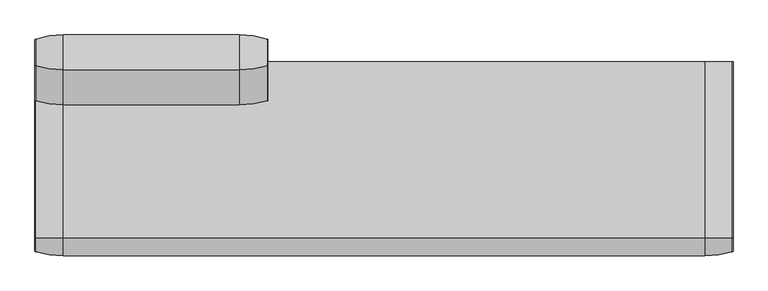
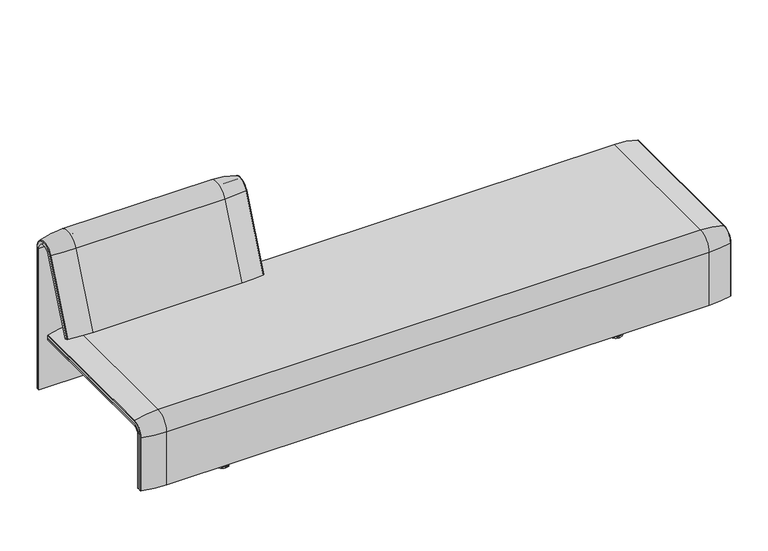
"""IFC4 building model written with IfcOpenShell, lengths in millimetres: furniture geometry."""

from ifc_helpers import new_model, si_unit, point, frame, frame_2d, origin, place, context, project, spatial, polyline, circle_curve, ellipse_curve, trimmed, segment, composite_curve, outline, extrude, source, transform, mapped, element, save
from ifc_brep_helpers import plane_surface, cylinder_surface, revolved_surface, advanced_brep


def furniture_a11b97bf(model_context):
    return source(origin(), model_context, "Body", "SolidModel", [
        advanced_brep(
        [(-507.9740803, 388.2902376, 100.5089435), (-410.1127088, 373.93893, 100.5089435), (-407.9740803, 371.0652495, 100.5089435), (-407.9740803, 359.7858817, 100.5089435), (-1223.9884174, 359.7858817, 100.5089435), (-1223.9884174, 371.0652495, 100.5089435), (-1221.8497889, 373.93893, 100.5089435), (-1123.9884174, 388.2902376, 100.5089435), (-1123.9884174, 388.2902376, 720.3417731), (-507.9740803, 388.2902376, 720.3417731), (-410.1127088, 373.93893, 720.3417731), (-407.9740803, 371.0652495, 720.3417731), (-407.9740803, 282.0164812, 738.0210907), (-407.9740803, 159.7723383, 442.2908598), (-407.9740803, 170.1962447, 437.9819952), (-407.9740803, 292.4403877, 733.7122262), (-407.9740803, 359.7858817, 720.3417731), (-1223.9884174, 359.7858817, 720.3417731), (-507.9740803, 143.8537454, 448.8710282), (-1123.9884174, 143.8537454, 448.8710282), (-1221.8497889, 157.1166065, 443.3886429), (-1223.9884174, 159.7723383, 442.2908598), (-1223.9884174, 170.1962447, 437.9819952), (-410.1127088, 157.1166065, 443.3886429), (-507.9740803, 266.0978884, 744.6012592), (-1123.9884174, 266.0978884, 744.6012592), (-410.1127088, 279.3607494, 739.1188739), (-1223.9884174, 292.4403877, 733.7122262), (-1223.9884174, 282.0164812, 738.0210907), (-1223.9884174, 371.0652495, 720.3417731), (-1221.8497889, 373.93893, 720.3417731), (-1221.8497889, 279.3607494, 739.1188739)],
        [
            (0, 1, circle_curve(frame((-507.9740803, 47.4569043, 100.5089435), z_axis=(0.0, 0.0, -1.0), x_axis=(0.0, -1.0, 0.0)), 340.8333333)),
            (1, 2, circle_curve(frame((-410.9740803, 371.0652495, 100.5089435), z_axis=(0.0, 0.0, -1.0), x_axis=(1.0, 0.0, 0.0)), 3.0)),
            (2, 3),
            (3, 4),
            (4, 5),
            (5, 6, circle_curve(frame((-1220.9884174, 371.0652495, 100.5089435), z_axis=(0.0, 0.0, -1.0), x_axis=(-1.0, 0.0, 0.0)), 3.0)),
            (6, 7, circle_curve(frame((-1123.9884174, 47.4569043, 100.5089435), z_axis=(0.0, 0.0, -1.0), x_axis=(0.0, -1.0, 0.0)), 340.8333333)),
            (7, 0),
            (7, 8),
            (8, 9),
            (9, 0),
            (9, 10, circle_curve(frame((-507.9740803, 47.4569043, 720.3417731), z_axis=(0.0, 0.0, -1.0), x_axis=(0.0, -1.0, 0.0)), 340.8333333)),
            (10, 1),
            (10, 11, circle_curve(frame((-410.9740803, 371.0652495, 720.3417731), z_axis=(0.0, 0.0, -1.0), x_axis=(1.0, 0.0, 0.0)), 3.0)),
            (11, 2),
            (11, 12, circle_curve(frame((-407.9740803, 324.7858817, 720.3417731), z_axis=(1.0, 0.0, 0.0), x_axis=(0.0, 1.0, 0.0)), 46.2793679)),
            (12, 13),
            (13, 14),
            (14, 15),
            (15, 16, circle_curve(frame((-407.9740803, 324.7858817, 720.3417731), z_axis=(-1.0, 0.0, 0.0), x_axis=(0.0, 1.0, 0.0)), 35.0)),
            (16, 3),
            (16, 17),
            (17, 4),
            (18, 19),
            (19, 20, circle_curve(frame((-1123.9884174, 458.8372467, 318.6682822), z_axis=(0.0, -0.38201294675155345, -0.9241569717933176), x_axis=(0.0, 0.9241569717933176, -0.38201294675155345)), 340.8333333)),
            (20, 21, circle_curve(frame((-1220.9884174, 159.7723383, 442.2908598), z_axis=(0.0, -0.38201294675155345, -0.9241569717933176), x_axis=(-1.0, 0.0, 0.0)), 3.0)),
            (21, 22),
            (22, 14),
            (13, 23, circle_curve(frame((-410.9740803, 159.7723383, 442.2908598), z_axis=(0.0, -0.38201294675155345, -0.9241569717933176), x_axis=(1.0, 0.0, 0.0)), 3.0)),
            (23, 18, circle_curve(frame((-507.9740803, 458.8372467, 318.6682822), z_axis=(0.0, -0.38201294675155345, -0.9241569717933176), x_axis=(0.0, 0.9241569717933176, -0.38201294675155345)), 340.8333333)),
            (24, 9, circle_curve(frame((-507.9740803, 324.7858817, 720.3417731), z_axis=(-1.0, 0.0, 0.0), x_axis=(0.0, 1.0, 0.0)), 63.5043559)),
            (8, 25, circle_curve(frame((-1123.9884174, 324.7858817, 720.3417731), z_axis=(1.0, 0.0, 0.0), x_axis=(0.0, 1.0, 0.0)), 63.5043559)),
            (25, 24),
            (26, 10, circle_curve(frame((-410.1127088, 324.7858817, 720.3417731), z_axis=(-1.0, 0.0, 0.0), x_axis=(0.0, 1.0, 0.0)), 49.1530483)),
            (24, 26, circle_curve(frame((-507.9740803, 581.0813896, 614.3985132), z_axis=(0.0, 0.382012946751556, 0.9241569717933165), x_axis=(0.0, 0.9241569717933165, -0.382012946751556)), 340.8333333)),
            (26, 12, circle_curve(frame((-410.9740803, 282.0164812, 738.0210907), z_axis=(0.0, 0.3820129467515552, 0.9241569717933168), x_axis=(1.0, 0.0, 0.0)), 3.0)),
            (27, 17, circle_curve(frame((-1223.9884174, 324.7858817, 720.3417731), z_axis=(-1.0, 0.0, 0.0), x_axis=(0.0, 1.0, 0.0)), 35.0)),
            (15, 27),
            (25, 19),
            (18, 24),
            (23, 26),
            (22, 27),
            (21, 28),
            (28, 29, circle_curve(frame((-1223.9884174, 324.7858817, 720.3417731), z_axis=(-1.0, 0.0, 0.0), x_axis=(0.0, 1.0, 0.0)), 46.2793679)),
            (29, 5),
            (29, 30, circle_curve(frame((-1220.9884174, 371.0652495, 720.3417731), z_axis=(0.0, 0.0, -1.0), x_axis=(-1.0, 0.0, 0.0)), 3.0)),
            (30, 6),
            (30, 8, circle_curve(frame((-1123.9884174, 47.4569043, 720.3417731), z_axis=(0.0, 0.0, -1.0), x_axis=(0.0, -1.0, 0.0)), 340.8333333)),
            (31, 30, circle_curve(frame((-1221.8497889, 324.7858817, 720.3417731), z_axis=(-1.0, 0.0, 0.0), x_axis=(0.0, 1.0, 0.0)), 49.1530483)),
            (28, 31, circle_curve(frame((-1220.9884174, 282.0164812, 738.0210907), z_axis=(0.0, 0.3820129467515544, 0.9241569717933172), x_axis=(-1.0, 0.0, 0.0)), 3.0)),
            (31, 25, circle_curve(frame((-1123.9884174, 581.0813896, 614.3985132), z_axis=(0.0, 0.3820129467515532, 0.9241569717933177), x_axis=(0.0, 0.9241569717933177, -0.3820129467515532)), 340.8333333)),
            (20, 31),
        ],
        [
            plane_surface(frame((-811.2162256, 359.7858817, 100.5089435), z_axis=(0.0, 0.0, -1.0), x_axis=(1.0, 0.0, 0.0))),
            plane_surface(frame((-1123.9884174, 388.2902376, 100.5089435), z_axis=(0.0, 1.0, 0.0), x_axis=(0.0, 0.0, 1.0))),
            cylinder_surface(frame((-507.9740803, 47.4569043, 100.5089435), z_axis=(0.0, 0.0, -1.0), x_axis=(0.0, -1.0, 0.0)), 340.8333333),
            cylinder_surface(frame((-410.9740803, 371.0652495, 100.5089435), z_axis=(0.0, 0.0, -1.0), x_axis=(1.0, 0.0, 0.0)), 3.0),
            plane_surface(frame((-407.9740803, 371.0652495, 100.5089435), z_axis=(1.0, 0.0, 0.0), x_axis=(0.0, 0.0, 1.0))),
            plane_surface(frame((-407.9740803, 359.7858817, 100.5089435), z_axis=(0.0, -1.0, 0.0), x_axis=(0.0, 0.0, 1.0))),
            plane_surface(frame((-811.2162256, 170.1962447, 437.9819952), z_axis=(0.0, -0.38201294675155345, -0.9241569717933176), x_axis=(1.0, 0.0, 0.0))),
            cylinder_surface(frame((-811.2162256, 324.7858817, 720.3417731), z_axis=(1.0, 0.0, 0.0), x_axis=(0.0, 1.0, 0.0)), 63.5043559),
            revolved_surface(trimmed(ellipse_curve(frame((-507.9740803, 47.4569043, 720.3417731), z_axis=(0.0, 0.0, -1.0), x_axis=(0.0, -1.0, 0.0)), 340.8333333, 340.8333333), [point((-507.9740803, 388.2902376, 720.3417731))], [point((-410.1127088, 373.93893, 720.3417731))], True, "CARTESIAN"), (-811.2162256, 324.7858817, 720.3417731), (1.0, 0.0, 0.0)),
            revolved_surface(trimmed(ellipse_curve(frame((-410.9740803, 371.0652495, 720.3417731), z_axis=(0.0, 0.0, -1.0), x_axis=(1.0, 0.0, 0.0)), 3.0, 3.0), [point((-410.1127088, 373.93893, 720.3417731))], [point((-407.9740803, 371.0652495, 720.3417731))], True, "CARTESIAN"), (-811.2162256, 324.7858817, 720.3417731), (1.0, 0.0, 0.0)),
            revolved_surface(polyline([(-407.9740803, 359.7858817, 720.3417731), (-1223.9884174, 359.7858817, 720.3417731)]), (-811.2162256, 324.7858817, 720.3417731), (1.0, 0.0, 0.0)),
            plane_surface(frame((-1123.9884174, 266.0978884, 744.6012592), z_axis=(0.0, -0.9241569717933176, 0.38201294675155356), x_axis=(0.0, -0.38201294675155356, -0.9241569717933176))),
            cylinder_surface(frame((-507.9740803, 581.0813896, 614.3985132), z_axis=(0.0, 0.38201294675155345, 0.9241569717933176), x_axis=(0.0, 0.9241569717933176, -0.38201294675155345)), 340.8333333),
            cylinder_surface(frame((-410.9740803, 282.0164812, 738.0210907), z_axis=(0.0, 0.38201294675155345, 0.9241569717933176), x_axis=(1.0, 0.0, 0.0)), 3.0),
            plane_surface(frame((-407.9740803, 292.4403877, 733.7122262), z_axis=(0.0, 0.9241569717933176, -0.38201294675155356), x_axis=(0.0, -0.38201294675155356, -0.9241569717933176))),
            plane_surface(frame((-1223.9884174, 359.7858817, 100.5089435), z_axis=(-1.0, 0.0, 0.0), x_axis=(0.0, 0.0, 1.0))),
            cylinder_surface(frame((-1220.9884174, 371.0652495, 100.5089435), z_axis=(0.0, 0.0, -1.0), x_axis=(-1.0, 0.0, 0.0)), 3.0),
            cylinder_surface(frame((-1123.9884174, 47.4569043, 100.5089435), z_axis=(0.0, 0.0, -1.0), x_axis=(0.0, -1.0, 0.0)), 340.8333333),
            revolved_surface(trimmed(ellipse_curve(frame((-1220.9884174, 371.0652495, 720.3417731), z_axis=(0.0, 0.0, -1.0), x_axis=(-1.0, 0.0, 0.0)), 3.0, 3.0), [point((-1223.9884174, 371.0652495, 720.3417731))], [point((-1221.8497889, 373.93893, 720.3417731))], True, "CARTESIAN"), (-811.2162256, 324.7858817, 720.3417731), (1.0, 0.0, 0.0)),
            revolved_surface(trimmed(ellipse_curve(frame((-1123.9884174, 47.4569043, 720.3417731), z_axis=(0.0, 0.0, -1.0), x_axis=(0.0, -1.0, 0.0)), 340.8333333, 340.8333333), [point((-1221.8497889, 373.93893, 720.3417731))], [point((-1123.9884174, 388.2902376, 720.3417731))], True, "CARTESIAN"), (-811.2162256, 324.7858817, 720.3417731), (1.0, 0.0, 0.0)),
            cylinder_surface(frame((-1220.9884174, 282.0164812, 738.0210907), z_axis=(0.0, 0.38201294675155345, 0.9241569717933176), x_axis=(-1.0, 0.0, 0.0)), 3.0),
            cylinder_surface(frame((-1123.9884174, 581.0813896, 614.3985132), z_axis=(0.0, 0.38201294675155345, 0.9241569717933176), x_axis=(0.0, 0.9241569717933176, -0.38201294675155345)), 340.8333333),
        ],
        [
            (0, [[1, 2, 3, 4, 5, 6, 7, 8]]),
            (1, [[-8, 9, 10, 11]]),
            (2, [[-1, -11, 12, 13]]),
            (3, [[-2, -13, 14, 15]]),
            (4, [[-3, -15, 16, 17, 18, 19, 20, 21]]),
            (5, [[-4, -21, 22, 23]]),
            (6, [[24, 25, 26, 27, 28, -18, 29, 30]]),
            (7, [[31, -10, 32, 33]]),
            (8, [[34, -12, -31, 35]]),
            (9, [[-16, -14, -34, 36]]),
            (10, [[37, -22, -20, 38]]),
            (11, [[-33, 39, -24, 40]]),
            (12, [[-35, -40, -30, 41]]),
            (13, [[-36, -41, -29, -17]]),
            (14, [[-38, -19, -28, 42]]),
            (15, [[-5, -23, -37, -42, -27, 43, 44, 45]]),
            (16, [[-6, -45, 46, 47]]),
            (17, [[-7, -47, 48, -9]]),
            (18, [[49, -46, -44, 50]]),
            (19, [[-32, -48, -49, 51]]),
            (20, [[-50, -43, -26, 52]]),
            (21, [[-51, -52, -25, -39]]),
        ],
    ),
        extrude(outline(composite_curve([segment(trimmed(circle_curve(frame_2d((305.0000061, 379.9223263)), 30.0), [point((305.0000061, 349.9223263))], [point((335.0000061, 379.9223263))], True, "CARTESIAN"), True, "CONTINUOUS"), segment(polyline([(335.0000061, 379.9223263), (335.0000061, 515.0657595)]), True, "CONTINUOUS"), segment(trimmed(circle_curve(frame_2d((305.0000061, 515.0657595)), 30.0), [point((335.0000061, 515.0657595))], [point((316.7219399, 542.6809051))], True, "CARTESIAN"), True, "CONTINUOUS"), segment(polyline([(316.7219399, 542.6809051), (257.4911714, 567.8228747)]), True, "CONTINUOUS"), segment(trimmed(circle_curve(frame_2d((251.6302045, 554.0153019)), 15.0), [point((257.4911714, 567.8228747))], [point((238.0355877, 560.3545758))], True, "CARTESIAN"), True, "CONTINUOUS"), segment(polyline([(238.0355877, 560.3545758), (222.2725218, 526.5505721), (213.7507451, 529.5682915), (296.3054528, 724.0549949)]), True, "CONTINUOUS"), segment(trimmed(circle_curve(frame_2d((322.520748, 712.9272623)), 28.479258), [point((296.3054528, 724.0549949))], [point((351.0000061, 712.9272623))], False, "CARTESIAN"), True, "CONTINUOUS"), segment(polyline([(351.0000061, 712.9272623), (351.0000061, 197.0551771), (343.3075759, 197.0551771), (339.4064861, 271.492405)]), True, "CONTINUOUS"), segment(trimmed(circle_curve(frame_2d((309.4476, 269.9223263)), 30.0), [point((339.4064861, 271.492405))], [point((309.4476, 299.9223263))], True, "CARTESIAN"), True, "CONTINUOUS"), segment(polyline([(309.4476, 299.9223263), (270.0000061, 299.9223263), (270.0000061, 359.9223263), (275.0000061, 359.9223263)]), True, "CONTINUOUS"), segment(trimmed(circle_curve(frame_2d((285.0000061, 359.9223263)), 10.0), [point((275.0000061, 359.9223263))], [point((285.0000061, 349.9223263))], True, "CARTESIAN"), True, "CONTINUOUS"), segment(polyline([(285.0000061, 349.9223263), (305.0000061, 349.9223263)]), True, "CONTINUOUS")], self_intersect=False), holes=[composite_curve([segment(polyline([(337.5000061, 576.3274105), (337.5000061, 716.7072663)]), True, "CONTINUOUS"), segment(trimmed(circle_curve(frame_2d((322.5000061, 716.7072663)), 15.0), [point((337.5000061, 716.7072663))], [point((308.9053893, 723.0465402))], True, "CARTESIAN"), True, "CONTINUOUS"), segment(polyline([(308.9053893, 723.0465402), (253.6256191, 604.4986904)]), True, "CONTINUOUS"), segment(trimmed(circle_curve(frame_2d((271.7517748, 596.0463251)), 20.0), [point((253.6256191, 604.4986904))], [point((265.0756376, 577.1934953))], True, "CARTESIAN"), True, "CONTINUOUS"), segment(polyline([(265.0756376, 577.1934953), (314.1406626, 559.8186587)]), True, "CONTINUOUS"), segment(trimmed(circle_curve(frame_2d((319.9867182, 576.3274105)), 17.5132879), [point((314.1406626, 559.8186587))], [point((337.5000061, 576.3274105))], True, "CARTESIAN"), True, "CONTINUOUS")], self_intersect=False)]), frame((-1100.9760457, 0.0, 0.0), z_axis=(1.0, 0.0, 0.0), x_axis=(0.0, 1.0, 0.0)), (0.0, 0.0, 1.0), 40.0),
        advanced_brep(
        [(-1223.9718733, 295.0, 359.922434), (-1223.9718733, -323.7517936, 359.922434), (-1223.9718733, -351.0, 332.6742277), (-1223.9718733, -351.0, 100.5089435), (-1223.9718733, -357.5, 100.5089435), (-1223.9718733, -357.5, 333.0583003), (-1223.9718733, -324.3858663, 366.172434), (-1223.9718733, 295.0, 366.172434), (1223.9718733, 295.0, 359.922434), (1223.9718733, 295.0, 366.172434), (1223.9718733, -324.3858663, 366.172434), (1223.9718733, -357.5, 333.0583003), (1223.9718733, -357.5, 100.5089435), (1223.9718733, -351.0, 100.5089435), (1223.9718733, -351.0, 332.6742277), (1223.9718733, -323.7517936, 359.922434), (-1189.0718733, -324.3858663, 366.172434), (-1189.0718733, 260.0, 366.172434), (1189.0718733, 260.0, 366.172434), (1189.0718733, -324.3858663, 366.172434), (-1189.0718733, -357.5, 333.0583003), (1189.0718733, -357.5, 333.0583003), (1189.0718733, -357.5, 135.3766997), (-1189.0718733, -357.5, 135.3766997), (-1189.0718733, -351.0, 332.6742277), (-1189.0718733, -351.0, 135.3766997), (1189.0718733, -351.0, 135.3766997), (1189.0718733, -351.0, 332.6742277), (-1189.0718733, -323.7517936, 359.922434), (1189.0718733, -323.7517936, 359.922434), (1189.0718733, 260.0, 359.922434), (-1189.0718733, 260.0, 359.922434)],
        [
            (0, 1),
            (1, 2, circle_curve(frame((-1223.9718733, -323.7517936, 332.6742277), z_axis=(1.0, 0.0, 0.0), x_axis=(0.0, -1.0, 0.0)), 27.2482064)),
            (2, 3),
            (3, 4),
            (4, 5),
            (5, 6, circle_curve(frame((-1223.9718733, -324.3858663, 333.0583003), z_axis=(-1.0, 0.0, 0.0), x_axis=(0.0, -1.0, 0.0)), 33.1141337)),
            (6, 7),
            (7, 0),
            (8, 9),
            (9, 10),
            (10, 11, circle_curve(frame((1223.9718733, -324.3858663, 333.0583003), z_axis=(1.0, 0.0, 0.0), x_axis=(0.0, -1.0, 0.0)), 33.1141337)),
            (11, 12),
            (12, 13),
            (13, 14),
            (14, 15, circle_curve(frame((1223.9718733, -323.7517936, 332.6742277), z_axis=(-1.0, 0.0, 0.0), x_axis=(0.0, -1.0, 0.0)), 27.2482064)),
            (15, 8),
            (7, 9),
            (8, 0),
            (6, 16),
            (16, 17),
            (17, 18),
            (18, 19),
            (19, 10),
            (5, 20),
            (20, 16, circle_curve(frame((-1189.0718733, -324.3858663, 333.0583003), z_axis=(-1.0, 0.0, 0.0), x_axis=(0.0, -1.0, 0.0)), 33.1141337)),
            (19, 21, circle_curve(frame((1189.0718733, -324.3858663, 333.0583003), z_axis=(1.0, 0.0, 0.0), x_axis=(0.0, -1.0, 0.0)), 33.1141337)),
            (21, 11),
            (4, 12),
            (21, 22),
            (22, 23),
            (23, 20),
            (3, 13),
            (2, 24),
            (24, 25),
            (25, 26),
            (26, 27),
            (27, 14),
            (1, 28),
            (28, 24, circle_curve(frame((-1189.0718733, -323.7517936, 332.6742277), z_axis=(1.0, 0.0, 0.0), x_axis=(0.0, -1.0, 0.0)), 27.2482064)),
            (27, 29, circle_curve(frame((1189.0718733, -323.7517936, 332.6742277), z_axis=(-1.0, 0.0, 0.0), x_axis=(0.0, -1.0, 0.0)), 27.2482064)),
            (29, 15),
            (29, 30),
            (30, 31),
            (31, 28),
            (31, 17),
            (23, 25),
            (26, 22),
            (18, 30),
        ],
        [
            plane_surface(frame((-1223.9718733, -296.9265415, 359.922434), z_axis=(-1.0, 0.0, 0.0), x_axis=(0.0, -1.0, 0.0))),
            plane_surface(frame((1223.9718733, -296.9265415, 359.922434), z_axis=(1.0, 0.0, 0.0), x_axis=(0.0, 1.0, 0.0))),
            plane_surface(frame((-1223.9718733, 295.0, 366.172434), z_axis=(0.0, 1.0, 0.0), x_axis=(1.0, 0.0, 0.0))),
            plane_surface(frame((-1223.9718733, -324.3858663, 366.172434), z_axis=(0.0, 0.0, 1.0), x_axis=(1.0, 0.0, 0.0))),
            cylinder_surface(frame((1223.9718733, -324.3858663, 333.0583003), z_axis=(-1.0, 0.0, 0.0), x_axis=(0.0, -1.0, 0.0)), 33.1141337),
            plane_surface(frame((-1223.9718733, -357.5, 100.5089435), z_axis=(0.0, -1.0, 0.0), x_axis=(1.0, 0.0, 0.0))),
            plane_surface(frame((-1223.9718733, -351.0, 100.5089435), z_axis=(0.0, 0.0, -1.0), x_axis=(1.0, 0.0, 0.0))),
            plane_surface(frame((-1223.9718733, -351.0, 332.6742277), z_axis=(0.0, 1.0, 0.0), x_axis=(1.0, 0.0, 0.0))),
            revolved_surface(polyline([(-1189.0718733000003, -351.0, 332.6742277), (-1223.9718733, -351.0, 332.6742277)]), (1223.9718733, -323.7517936, 332.6742277), (1.0, 0.0, 0.0)),
            revolved_surface(polyline([(1223.9718733, -351.0, 332.6742277), (1189.0718733, -351.0, 332.6742277)]), (1223.9718733, -323.7517936, 332.6742277), (1.0, 0.0, 0.0)),
            plane_surface(frame((-1223.9718733, 295.0, 359.922434), z_axis=(0.0, 0.0, -1.0), x_axis=(1.0, 0.0, 0.0))),
            plane_surface(frame((-1189.0718733, -296.9265415, 359.922434), z_axis=(1.0, 0.0, 0.0), x_axis=(0.0, -1.0, 0.0))),
            plane_surface(frame((1189.0718733, -296.9265415, 359.922434), z_axis=(-1.0, 0.0, 0.0), x_axis=(0.0, 1.0, 0.0))),
            plane_surface(frame((-1189.0718733, 260.0, 366.172434), z_axis=(0.0, -1.0, 0.0), x_axis=(1.0, 0.0, 0.0))),
            plane_surface(frame((-1189.0718733, -351.0, 135.3766997), z_axis=(0.0, 0.0, 1.0), x_axis=(1.0, 0.0, 0.0))),
        ],
        [
            (0, [[1, 2, 3, 4, 5, 6, 7, 8]]),
            (1, [[9, 10, 11, 12, 13, 14, 15, 16]]),
            (2, [[-8, 17, -9, 18]]),
            (3, [[-7, 19, 20, 21, 22, 23, -10, -17]]),
            (4, [[-6, 24, 25, -19]]),
            (4, [[-11, -23, 26, 27]]),
            (5, [[-5, 28, -12, -27, 29, 30, 31, -24]]),
            (6, [[-4, 32, -13, -28]]),
            (7, [[-3, 33, 34, 35, 36, 37, -14, -32]]),
            (8, [[-2, 38, 39, -33]]),
            (9, [[-15, -37, 40, 41]]),
            (10, [[-1, -18, -16, -41, 42, 43, 44, -38]]),
            (11, [[45, -20, -25, -31, 46, -34, -39, -44]]),
            (12, [[47, -29, -26, -22, 48, -42, -40, -36]]),
            (13, [[-45, -43, -48, -21]]),
            (14, [[-46, -30, -47, -35]]),
        ],
    ),
        extrude(outline(composite_curve([segment(polyline([(260.0, 359.922434), (-323.7517936, 359.922434)]), True, "CONTINUOUS"), segment(trimmed(circle_curve(frame_2d((-323.7517936, 332.6742277)), 27.2482064), [point((-323.7517936, 359.922434))], [point((-351.0, 332.6742277))], True, "CARTESIAN"), True, "CONTINUOUS"), segment(polyline([(-351.0, 332.6742277), (-351.0, 135.3766997), (-357.5, 135.3766997), (-357.5, 333.0583003)]), True, "CONTINUOUS"), segment(trimmed(circle_curve(frame_2d((-324.3858663, 333.0583003)), 33.1141337), [point((-357.5, 333.0583003))], [point((-324.3858663, 366.172434))], False, "CARTESIAN"), True, "CONTINUOUS"), segment(polyline([(-324.3858663, 366.172434), (260.0, 366.172434), (260.0, 359.922434)]), True, "CONTINUOUS")], self_intersect=False)), frame((-1189.0718733, 0.0, 0.0), z_axis=(1.0, 0.0, 0.0), x_axis=(0.0, 1.0, 0.0)), (0.0, 0.0, 1.0), 2378.1437465),
        advanced_brep(
        [(-1223.9718733, -368.7793679, 100.5089435), (-1223.9718733, -357.5, 100.5089435), (1223.9718733, -357.5, 100.5089435), (1223.9718733, -368.7793679, 100.5089435), (1221.8332448, -371.6530483, 100.5089435), (1123.9718733, -386.0043559, 100.5089435), (-1123.9718733, -386.0043559, 100.5089435), (-1221.8332448, -371.6530483, 100.5089435), (-1223.9718733, 295.0, 377.4518019), (-1221.8332448, 295.0, 380.3254823), (-1123.9718733, 295.0, 394.67679), (1123.9718733, 295.0, 394.67679), (1221.8332448, 295.0, 380.3254823), (1223.9718733, 295.0, 377.4518019), (1223.9718733, 295.0, 366.172434), (-1223.9718733, 295.0, 366.172434), (-1223.9718733, -368.7793679, 333.0583003), (-1223.9718733, -324.3858663, 377.4518019), (-1223.9718733, -324.3858663, 366.172434), (-1223.9718733, -357.5, 333.0583003), (1223.9718733, -357.5, 333.0583003), (1123.9718733, -386.0043559, 333.0583003), (-1123.9718733, -386.0043559, 333.0583003), (-1221.8332448, -371.6530483, 333.0583003), (1223.9718733, -324.3858663, 366.172434), (-1123.9718733, -324.3858663, 394.67679), (1123.9718733, -324.3858663, 394.67679), (-1221.8332448, -324.3858663, 380.3254823), (1223.9718733, -324.3858663, 377.4518019), (1223.9718733, -368.7793679, 333.0583003), (1221.8332448, -371.6530483, 333.0583003), (1221.8332448, -324.3858663, 380.3254823)],
        [
            (0, 1),
            (1, 2),
            (2, 3),
            (3, 4, circle_curve(frame((1220.9718733, -368.7793679, 100.5089435), z_axis=(0.0, 0.0, -1.0), x_axis=(-1.0, 0.0, 0.0)), 3.0)),
            (4, 5, circle_curve(frame((1123.9718733, -45.1710226, 100.5089435), z_axis=(0.0, 0.0, -1.0), x_axis=(0.0, 1.0, 0.0)), 340.8333333)),
            (5, 6),
            (6, 7, circle_curve(frame((-1123.9718733, -45.1710226, 100.5089435), z_axis=(0.0, 0.0, -1.0), x_axis=(0.0, 1.0, 0.0)), 340.8333333)),
            (7, 0, circle_curve(frame((-1220.9718733, -368.7793679, 100.5089435), z_axis=(0.0, 0.0, -1.0), x_axis=(1.0, 0.0, 0.0)), 3.0)),
            (8, 9, circle_curve(frame((-1220.9718733, 295.0, 377.4518019), z_axis=(0.0, 1.0, 0.0), x_axis=(1.0, 0.0, 0.0)), 3.0)),
            (9, 10, circle_curve(frame((-1123.9718733, 295.0, 53.8434566), z_axis=(0.0, 1.0, 0.0), x_axis=(0.0, 0.0, -1.0)), 340.8333333)),
            (10, 11),
            (11, 12, circle_curve(frame((1123.9718733, 295.0, 53.8434566), z_axis=(0.0, 1.0, 0.0), x_axis=(0.0, 0.0, -1.0)), 340.8333333)),
            (12, 13, circle_curve(frame((1220.9718733, 295.0, 377.4518019), z_axis=(0.0, 1.0, 0.0), x_axis=(-1.0, 0.0, 0.0)), 3.0)),
            (13, 14),
            (14, 15),
            (15, 8),
            (0, 16),
            (16, 17, circle_curve(frame((-1223.9718733, -324.3858663, 333.0583003), z_axis=(-1.0, 0.0, 0.0), x_axis=(0.0, -1.0, 0.0)), 44.3935016)),
            (17, 8),
            (15, 18),
            (18, 19, circle_curve(frame((-1223.9718733, -324.3858663, 333.0583003), z_axis=(1.0, 0.0, 0.0), x_axis=(0.0, -1.0, 0.0)), 33.1141337)),
            (19, 1),
            (19, 20),
            (20, 2),
            (5, 21),
            (21, 22),
            (22, 6),
            (22, 23, circle_curve(frame((-1123.9718733, -45.1710226, 333.0583003), z_axis=(0.0, 0.0, -1.0), x_axis=(0.0, 1.0, 0.0)), 340.8333333)),
            (23, 7),
            (23, 16, circle_curve(frame((-1220.9718733, -368.7793679, 333.0583003), z_axis=(0.0, 0.0, -1.0), x_axis=(1.0, 0.0, 0.0)), 3.0)),
            (24, 20, circle_curve(frame((1223.9718733, -324.3858663, 333.0583003), z_axis=(1.0, 0.0, 0.0), x_axis=(0.0, -1.0, 0.0)), 33.1141337)),
            (18, 24),
            (25, 22, circle_curve(frame((-1123.9718733, -324.3858663, 333.0583003), z_axis=(1.0, 0.0, 0.0), x_axis=(0.0, -1.0, 0.0)), 61.6184897)),
            (21, 26, circle_curve(frame((1123.9718733, -324.3858663, 333.0583003), z_axis=(-1.0, 0.0, 0.0), x_axis=(0.0, -1.0, 0.0)), 61.6184897)),
            (26, 25),
            (27, 23, circle_curve(frame((-1221.8332448, -324.3858663, 333.0583003), z_axis=(1.0, 0.0, 0.0), x_axis=(0.0, -1.0, 0.0)), 47.267182)),
            (25, 27, circle_curve(frame((-1123.9718733, -324.3858663, 53.8434566), z_axis=(0.0, -1.0, 0.0), x_axis=(0.0, 0.0, -1.0)), 340.8333333)),
            (27, 17, circle_curve(frame((-1220.9718733, -324.3858663, 377.4518019), z_axis=(0.0, -1.0, 0.0), x_axis=(1.0, 0.0, 0.0)), 3.0)),
            (14, 24),
            (26, 11),
            (10, 25),
            (9, 27),
            (13, 28),
            (28, 29, circle_curve(frame((1223.9718733, -324.3858663, 333.0583003), z_axis=(1.0, 0.0, 0.0), x_axis=(0.0, -1.0, 0.0)), 44.3935016)),
            (29, 3),
            (29, 30, circle_curve(frame((1220.9718733, -368.7793679, 333.0583003), z_axis=(0.0, 0.0, -1.0), x_axis=(-1.0, 0.0, 0.0)), 3.0)),
            (30, 4),
            (30, 21, circle_curve(frame((1123.9718733, -45.1710226, 333.0583003), z_axis=(0.0, 0.0, -1.0), x_axis=(0.0, 1.0, 0.0)), 340.8333333)),
            (31, 30, circle_curve(frame((1221.8332448, -324.3858663, 333.0583003), z_axis=(1.0, 0.0, 0.0), x_axis=(0.0, -1.0, 0.0)), 47.267182)),
            (28, 31, circle_curve(frame((1220.9718733, -324.3858663, 377.4518019), z_axis=(0.0, -1.0, 0.0), x_axis=(-1.0, 0.0, 0.0)), 3.0)),
            (31, 26, circle_curve(frame((1123.9718733, -324.3858663, 53.8434566), z_axis=(0.0, -1.0, 0.0), x_axis=(0.0, 0.0, -1.0)), 340.8333333)),
            (12, 31),
        ],
        [
            plane_surface(frame((-1223.9718733, -357.5, 100.5089435), z_axis=(0.0, 0.0, -1.0), x_axis=(1.0, 0.0, 0.0))),
            plane_surface(frame((-1223.9718733, 295.0, 366.172434), z_axis=(0.0, 1.0, 0.0), x_axis=(1.0, 0.0, 0.0))),
            plane_surface(frame((-1223.9718733, -368.7793679, 100.5089435), z_axis=(-1.0, 0.0, 0.0), x_axis=(0.0, 0.0, 1.0))),
            plane_surface(frame((-1223.9718733, -357.5, 100.5089435), z_axis=(0.0, 1.0, 0.0), x_axis=(0.0, 0.0, 1.0))),
            plane_surface(frame((1123.9718733, -386.0043559, 100.5089435), z_axis=(0.0, -1.0, 0.0), x_axis=(0.0, 0.0, 1.0))),
            cylinder_surface(frame((-1123.9718733, -45.1710226, 100.5089435), z_axis=(0.0, 0.0, -1.0), x_axis=(0.0, 1.0, 0.0)), 340.8333333),
            cylinder_surface(frame((-1220.9718733, -368.7793679, 100.5089435), z_axis=(0.0, 0.0, -1.0), x_axis=(1.0, 0.0, 0.0)), 3.0),
            revolved_surface(polyline([(-1223.9718733, -357.5, 333.0583003), (1223.9718733, -357.5, 333.0583003)]), (-1223.9718733, -324.3858663, 333.0583003), (-1.0, 0.0, 0.0)),
            cylinder_surface(frame((-1223.9718733, -324.3858663, 333.0583003), z_axis=(-1.0, 0.0, 0.0), x_axis=(0.0, -1.0, 0.0)), 61.6184897),
            revolved_surface(trimmed(ellipse_curve(frame((-1123.9718733, -45.1710226, 333.0583003), z_axis=(0.0, 0.0, -1.0), x_axis=(0.0, 1.0, 0.0)), 340.8333333, 340.8333333), [point((-1123.9718733, -386.0043559, 333.0583003))], [point((-1221.8332448, -371.6530483, 333.0583003))], True, "CARTESIAN"), (-1223.9718733, -324.3858663, 333.0583003), (-1.0, 0.0, 0.0)),
            revolved_surface(trimmed(ellipse_curve(frame((-1220.9718733, -368.7793679, 333.0583003), z_axis=(0.0, 0.0, -1.0), x_axis=(1.0, 0.0, 0.0)), 3.0, 3.0), [point((-1221.8332448, -371.6530483, 333.0583003))], [point((-1223.9718733, -368.7793679, 333.0583003))], True, "CARTESIAN"), (-1223.9718733, -324.3858663, 333.0583003), (-1.0, 0.0, 0.0)),
            plane_surface(frame((-1223.9718733, -324.3858663, 366.172434), z_axis=(0.0, 0.0, -1.0), x_axis=(0.0, 1.0, 0.0))),
            plane_surface(frame((1123.9718733, -324.3858663, 394.67679), z_axis=(0.0, 0.0, 1.0), x_axis=(0.0, 1.0, 0.0))),
            cylinder_surface(frame((-1123.9718733, -324.3858663, 53.8434566), z_axis=(0.0, -1.0, 0.0), x_axis=(0.0, 0.0, -1.0)), 340.8333333),
            cylinder_surface(frame((-1220.9718733, -324.3858663, 377.4518019), z_axis=(0.0, -1.0, 0.0), x_axis=(1.0, 0.0, 0.0)), 3.0),
            plane_surface(frame((1223.9718733, -357.5, 100.5089435), z_axis=(1.0, 0.0, 0.0), x_axis=(0.0, 0.0, 1.0))),
            cylinder_surface(frame((1220.9718733, -368.7793679, 100.5089435), z_axis=(0.0, 0.0, -1.0), x_axis=(-1.0, 0.0, 0.0)), 3.0),
            cylinder_surface(frame((1123.9718733, -45.1710226, 100.5089435), z_axis=(0.0, 0.0, -1.0), x_axis=(0.0, 1.0, 0.0)), 340.8333333),
            revolved_surface(trimmed(ellipse_curve(frame((1220.9718733, -368.7793679, 333.0583003), z_axis=(0.0, 0.0, -1.0), x_axis=(-1.0, 0.0, 0.0)), 3.0, 3.0), [point((1223.9718733, -368.7793679, 333.0583003))], [point((1221.8332448, -371.6530483, 333.0583003))], True, "CARTESIAN"), (-1223.9718733, -324.3858663, 333.0583003), (-1.0, 0.0, 0.0)),
            revolved_surface(trimmed(ellipse_curve(frame((1123.9718733, -45.1710226, 333.0583003), z_axis=(0.0, 0.0, -1.0), x_axis=(0.0, 1.0, 0.0)), 340.8333333, 340.8333333), [point((1221.8332448, -371.6530483, 333.0583003))], [point((1123.9718733, -386.0043559, 333.0583003))], True, "CARTESIAN"), (-1223.9718733, -324.3858663, 333.0583003), (-1.0, 0.0, 0.0)),
            cylinder_surface(frame((1220.9718733, -324.3858663, 377.4518019), z_axis=(0.0, -1.0, 0.0), x_axis=(-1.0, 0.0, 0.0)), 3.0),
            cylinder_surface(frame((1123.9718733, -324.3858663, 53.8434566), z_axis=(0.0, -1.0, 0.0), x_axis=(0.0, 0.0, -1.0)), 340.8333333),
        ],
        [
            (0, [[1, 2, 3, 4, 5, 6, 7, 8]]),
            (1, [[9, 10, 11, 12, 13, 14, 15, 16]]),
            (2, [[-1, 17, 18, 19, -16, 20, 21, 22]]),
            (3, [[-2, -22, 23, 24]]),
            (4, [[-6, 25, 26, 27]]),
            (5, [[-7, -27, 28, 29]]),
            (6, [[-8, -29, 30, -17]]),
            (7, [[31, -23, -21, 32]]),
            (8, [[33, -26, 34, 35]]),
            (9, [[36, -28, -33, 37]]),
            (10, [[-18, -30, -36, 38]]),
            (11, [[-32, -20, -15, 39]]),
            (12, [[-35, 40, -11, 41]]),
            (13, [[-37, -41, -10, 42]]),
            (14, [[-38, -42, -9, -19]]),
            (15, [[-3, -24, -31, -39, -14, 43, 44, 45]]),
            (16, [[-4, -45, 46, 47]]),
            (17, [[-5, -47, 48, -25]]),
            (18, [[49, -46, -44, 50]]),
            (19, [[-34, -48, -49, 51]]),
            (20, [[-50, -43, -13, 52]]),
            (21, [[-51, -52, -12, -40]]),
        ],
    ),
        advanced_brep(
        [(815.9812488, -250.0000031, 0.0), (815.9812488, -225.0000031, 0.0), (815.9812488, -275.0000031, 0.0), (815.9812488, -262.4715672, 344.8637637), (815.9812488, -237.5284391, 344.8637637), (815.9812488, -250.0000031, 344.8637637), (815.9812488, -262.4715672, 16.2604994), (815.9812488, -237.5284391, 16.2604994), (815.9812488, -273.2294713, 5.5025953), (815.9812488, -226.770535, 5.5025953), (815.9812488, -275.0000031, 5.5025953), (815.9812488, -225.0000031, 5.5025953)],
        [
            (0, 1),
            (1, 2, circle_curve(frame((815.9812488, -250.0000031, 0.0), z_axis=(0.0, 0.0, -1.0), x_axis=(0.0, 1.0, 0.0)), 25.0)),
            (2, 0),
            (2, 1, circle_curve(frame((815.9812488, -250.0000031, 0.0), z_axis=(0.0, 0.0, -1.0), x_axis=(0.0, 1.0, 0.0)), 25.0)),
            (3, 4, circle_curve(frame((815.9812488, -250.0000031, 344.8637637), z_axis=(0.0, 0.0, 1.0), x_axis=(0.0, 1.0, 0.0)), 12.471564)),
            (4, 5),
            (5, 3),
            (4, 3, circle_curve(frame((815.9812488, -250.0000031, 344.8637637), z_axis=(0.0, 0.0, 1.0), x_axis=(0.0, 1.0, 0.0)), 12.471564)),
            (6, 7, circle_curve(frame((815.9812488, -250.0000031, 16.2604994), z_axis=(0.0, 0.0, 1.0), x_axis=(0.0, 1.0, 0.0)), 12.471564)),
            (7, 4),
            (3, 6),
            (7, 6, circle_curve(frame((815.9812488, -250.0000031, 16.2604994), z_axis=(0.0, 0.0, 1.0), x_axis=(0.0, 1.0, 0.0)), 12.471564)),
            (8, 9, circle_curve(frame((815.9812488, -250.0000031, 5.5025953), z_axis=(0.0, 0.0, 1.0), x_axis=(0.0, 1.0, 0.0)), 23.2294681)),
            (9, 7, circle_curve(frame((815.9812488, -226.770535, 16.2604994), z_axis=(-1.0, 0.0, 0.0), x_axis=(0.0, 1.0, 0.0)), 10.7579041)),
            (6, 8, circle_curve(frame((815.9812488, -273.2294713, 16.2604994), z_axis=(-1.0, 0.0, 0.0), x_axis=(0.0, -1.0, 0.0)), 10.7579041)),
            (9, 8, circle_curve(frame((815.9812488, -250.0000031, 5.5025953), z_axis=(0.0, 0.0, 1.0), x_axis=(0.0, 1.0, 0.0)), 23.2294681)),
            (10, 11, circle_curve(frame((815.9812488, -250.0000031, 5.5025953), z_axis=(0.0, 0.0, 1.0), x_axis=(0.0, 1.0, 0.0)), 25.0)),
            (11, 9),
            (8, 10),
            (11, 10, circle_curve(frame((815.9812488, -250.0000031, 5.5025953), z_axis=(0.0, 0.0, 1.0), x_axis=(0.0, 1.0, 0.0)), 25.0)),
            (1, 11),
            (10, 2),
        ],
        [
            plane_surface(frame((815.9812488, -250.0000031, 0.0), z_axis=(0.0, 0.0, -1.0), x_axis=(0.0, 1.0, 0.0))),
            plane_surface(frame((815.9812488, -250.0000031, 344.8637637), z_axis=(0.0, 0.0, 1.0), x_axis=(0.0, 1.0, 0.0))),
            cylinder_surface(frame((815.9812488, -250.0000031, 344.8637637), z_axis=(0.0, 0.0, -1.0), x_axis=(0.0, 1.0, 0.0)), 12.471564),
            revolved_surface(trimmed(ellipse_curve(frame((815.9812488, -226.770535, 16.2604994), z_axis=(1.0, 0.0, 0.0), x_axis=(0.0, 1.0, 0.0)), 10.7579041, 10.7579041), [point((815.9812488, -237.5284391, 16.2604994))], [point((815.9812488, -226.770535, 5.5025953))], True, "CARTESIAN"), (815.9812488, -250.0000031, 344.8637637), (0.0, 0.0, -1.0)),
            plane_surface(frame((815.9812488, -250.0000031, 5.5025953), z_axis=(0.0, 0.0, 1.0), x_axis=(0.0, 1.0, 0.0))),
            cylinder_surface(frame((815.9812488, -250.0000031, 344.8637637), z_axis=(0.0, 0.0, -1.0), x_axis=(0.0, 1.0, 0.0)), 25.0),
        ],
        [
            (0, [[1, 2, 3]]),
            (0, [[-3, 4, -1]]),
            (1, [[5, 6, 7]]),
            (1, [[8, -7, -6]]),
            (2, [[9, 10, -5, 11]]),
            (2, [[12, -11, -8, -10]]),
            (3, [[13, 14, -9, 15]]),
            (3, [[16, -15, -12, -14]]),
            (4, [[17, 18, -13, 19]]),
            (4, [[20, -19, -16, -18]]),
            (5, [[-2, 21, -17, 22]]),
            (5, [[-4, -22, -20, -21]]),
        ],
    ),
        advanced_brep(
        [(815.9812488, 275.0000031, 0.0), (815.9812488, 225.0000031, 0.0), (815.9812488, 250.0000031, 0.0), (815.9812488, 250.0000031, 344.8637637), (815.9812488, 237.5284391, 344.8637637), (815.9812488, 262.4715672, 344.8637637), (815.9812488, 237.5284391, 16.2604994), (815.9812488, 262.4715672, 16.2604994), (815.9812488, 226.770535, 5.5025953), (815.9812488, 273.2294713, 5.5025953), (815.9812488, 225.0000031, 5.5025953), (815.9812488, 275.0000031, 5.5025953)],
        [
            (0, 1, circle_curve(frame((815.9812488, 250.0000031, 0.0), z_axis=(0.0, 0.0, -1.0), x_axis=(0.0, -1.0, 0.0)), 25.0)),
            (1, 2),
            (2, 0),
            (1, 0, circle_curve(frame((815.9812488, 250.0000031, 0.0), z_axis=(0.0, 0.0, -1.0), x_axis=(0.0, -1.0, 0.0)), 25.0)),
            (3, 4),
            (4, 5, circle_curve(frame((815.9812488, 250.0000031, 344.8637637), z_axis=(0.0, 0.0, 1.0), x_axis=(0.0, -1.0, 0.0)), 12.471564)),
            (5, 3),
            (5, 4, circle_curve(frame((815.9812488, 250.0000031, 344.8637637), z_axis=(0.0, 0.0, 1.0), x_axis=(0.0, -1.0, 0.0)), 12.471564)),
            (4, 6),
            (6, 7, circle_curve(frame((815.9812488, 250.0000031, 16.2604994), z_axis=(0.0, 0.0, 1.0), x_axis=(0.0, -1.0, 0.0)), 12.471564)),
            (7, 5),
            (7, 6, circle_curve(frame((815.9812488, 250.0000031, 16.2604994), z_axis=(0.0, 0.0, 1.0), x_axis=(0.0, -1.0, 0.0)), 12.471564)),
            (6, 8, circle_curve(frame((815.9812488, 226.770535, 16.2604994), z_axis=(-1.0, 0.0, 0.0), x_axis=(0.0, -1.0, 0.0)), 10.7579041)),
            (8, 9, circle_curve(frame((815.9812488, 250.0000031, 5.5025953), z_axis=(0.0, 0.0, 1.0), x_axis=(0.0, -1.0, 0.0)), 23.2294681)),
            (9, 7, circle_curve(frame((815.9812488, 273.2294713, 16.2604994), z_axis=(-1.0, 0.0, 0.0), x_axis=(0.0, 1.0, 0.0)), 10.7579041)),
            (9, 8, circle_curve(frame((815.9812488, 250.0000031, 5.5025953), z_axis=(0.0, 0.0, 1.0), x_axis=(0.0, -1.0, 0.0)), 23.2294681)),
            (8, 10),
            (10, 11, circle_curve(frame((815.9812488, 250.0000031, 5.5025953), z_axis=(0.0, 0.0, 1.0), x_axis=(0.0, -1.0, 0.0)), 25.0)),
            (11, 9),
            (11, 10, circle_curve(frame((815.9812488, 250.0000031, 5.5025953), z_axis=(0.0, 0.0, 1.0), x_axis=(0.0, -1.0, 0.0)), 25.0)),
            (10, 1),
            (0, 11),
        ],
        [
            plane_surface(frame((815.9812488, 250.0000031, 0.0), z_axis=(0.0, 0.0, -1.0), x_axis=(0.0, -1.0, 0.0))),
            plane_surface(frame((815.9812488, 250.0000031, 344.8637637), z_axis=(0.0, 0.0, 1.0), x_axis=(0.0, -1.0, 0.0))),
            cylinder_surface(frame((815.9812488, 250.0000031, 344.8637637), z_axis=(0.0, 0.0, 1.0), x_axis=(0.0, -1.0, 0.0)), 12.471564),
            revolved_surface(trimmed(ellipse_curve(frame((815.9812488, 226.770535, 16.2604994), z_axis=(1.0, 0.0, 0.0), x_axis=(0.0, -1.0, 0.0)), 10.7579041, 10.7579041), [point((815.9812488, 226.770535, 5.5025953))], [point((815.9812488, 237.5284391, 16.2604994))], True, "CARTESIAN"), (815.9812488, 250.0000031, 344.8637637), (0.0, 0.0, 1.0)),
            plane_surface(frame((815.9812488, 250.0000031, 5.5025953), z_axis=(0.0, 0.0, 1.0), x_axis=(0.0, -1.0, 0.0))),
            cylinder_surface(frame((815.9812488, 250.0000031, 344.8637637), z_axis=(0.0, 0.0, 1.0), x_axis=(0.0, -1.0, 0.0)), 25.0),
        ],
        [
            (0, [[1, 2, 3]]),
            (0, [[4, -3, -2]]),
            (1, [[5, 6, 7]]),
            (1, [[-7, 8, -5]]),
            (2, [[-6, 9, 10, 11]]),
            (2, [[-8, -11, 12, -9]]),
            (3, [[-10, 13, 14, 15]]),
            (3, [[-12, -15, 16, -13]]),
            (4, [[-14, 17, 18, 19]]),
            (4, [[-16, -19, 20, -17]]),
            (5, [[-18, 21, -1, 22]]),
            (5, [[-20, -22, -4, -21]]),
        ],
    ),
        advanced_brep(
        [(-815.9812488, -275.0000031, 0.0), (-815.9812488, -225.0000031, 0.0), (-815.9812488, -250.0000031, 0.0), (-815.9812488, -250.0000031, 344.8637637), (-815.9812488, -237.5284391, 344.8637637), (-815.9812488, -262.4715672, 344.8637637), (-815.9812488, -237.5284391, 16.2604994), (-815.9812488, -262.4715672, 16.2604994), (-815.9812488, -226.770535, 5.5025953), (-815.9812488, -273.2294713, 5.5025953), (-815.9812488, -225.0000031, 5.5025953), (-815.9812488, -275.0000031, 5.5025953)],
        [
            (0, 1, circle_curve(frame((-815.9812488, -250.0000031, 0.0), z_axis=(0.0, 0.0, -1.0), x_axis=(0.0, 1.0, 0.0)), 25.0)),
            (1, 2),
            (2, 0),
            (1, 0, circle_curve(frame((-815.9812488, -250.0000031, 0.0), z_axis=(0.0, 0.0, -1.0), x_axis=(0.0, 1.0, 0.0)), 25.0)),
            (3, 4),
            (4, 5, circle_curve(frame((-815.9812488, -250.0000031, 344.8637637), z_axis=(0.0, 0.0, 1.0), x_axis=(0.0, 1.0, 0.0)), 12.471564)),
            (5, 3),
            (5, 4, circle_curve(frame((-815.9812488, -250.0000031, 344.8637637), z_axis=(0.0, 0.0, 1.0), x_axis=(0.0, 1.0, 0.0)), 12.471564)),
            (4, 6),
            (6, 7, circle_curve(frame((-815.9812488, -250.0000031, 16.2604994), z_axis=(0.0, 0.0, 1.0), x_axis=(0.0, 1.0, 0.0)), 12.471564)),
            (7, 5),
            (7, 6, circle_curve(frame((-815.9812488, -250.0000031, 16.2604994), z_axis=(0.0, 0.0, 1.0), x_axis=(0.0, 1.0, 0.0)), 12.471564)),
            (6, 8, circle_curve(frame((-815.9812488, -226.770535, 16.2604994), z_axis=(1.0, 0.0, 0.0), x_axis=(0.0, 1.0, 0.0)), 10.7579041)),
            (8, 9, circle_curve(frame((-815.9812488, -250.0000031, 5.5025953), z_axis=(0.0, 0.0, 1.0), x_axis=(0.0, 1.0, 0.0)), 23.2294681)),
            (9, 7, circle_curve(frame((-815.9812488, -273.2294713, 16.2604994), z_axis=(1.0, 0.0, 0.0), x_axis=(0.0, -1.0, 0.0)), 10.7579041)),
            (9, 8, circle_curve(frame((-815.9812488, -250.0000031, 5.5025953), z_axis=(0.0, 0.0, 1.0), x_axis=(0.0, 1.0, 0.0)), 23.2294681)),
            (8, 10),
            (10, 11, circle_curve(frame((-815.9812488, -250.0000031, 5.5025953), z_axis=(0.0, 0.0, 1.0), x_axis=(0.0, 1.0, 0.0)), 25.0)),
            (11, 9),
            (11, 10, circle_curve(frame((-815.9812488, -250.0000031, 5.5025953), z_axis=(0.0, 0.0, 1.0), x_axis=(0.0, 1.0, 0.0)), 25.0)),
            (10, 1),
            (0, 11),
        ],
        [
            plane_surface(frame((-815.9812488, -250.0000031, 0.0), z_axis=(0.0, 0.0, -1.0), x_axis=(0.0, 1.0, 0.0))),
            plane_surface(frame((-815.9812488, -250.0000031, 344.8637637), z_axis=(0.0, 0.0, 1.0), x_axis=(0.0, 1.0, 0.0))),
            cylinder_surface(frame((-815.9812488, -250.0000031, 344.8637637), z_axis=(0.0, 0.0, 1.0), x_axis=(0.0, 1.0, 0.0)), 12.471564),
            revolved_surface(trimmed(ellipse_curve(frame((-815.9812488, -226.770535, 16.2604994), z_axis=(-1.0, 0.0, 0.0), x_axis=(0.0, 1.0, 0.0)), 10.7579041, 10.7579041), [point((-815.9812488, -226.770535, 5.5025953))], [point((-815.9812488, -237.5284391, 16.2604994))], True, "CARTESIAN"), (-815.9812488, -250.0000031, 344.8637637), (0.0, 0.0, 1.0)),
            plane_surface(frame((-815.9812488, -250.0000031, 5.5025953), z_axis=(0.0, 0.0, 1.0), x_axis=(0.0, 1.0, 0.0))),
            cylinder_surface(frame((-815.9812488, -250.0000031, 344.8637637), z_axis=(0.0, 0.0, 1.0), x_axis=(0.0, 1.0, 0.0)), 25.0),
        ],
        [
            (0, [[1, 2, 3]]),
            (0, [[4, -3, -2]]),
            (1, [[5, 6, 7]]),
            (1, [[-7, 8, -5]]),
            (2, [[-6, 9, 10, 11]]),
            (2, [[-8, -11, 12, -9]]),
            (3, [[-10, 13, 14, 15]]),
            (3, [[-12, -15, 16, -13]]),
            (4, [[-14, 17, 18, 19]]),
            (4, [[-16, -19, 20, -17]]),
            (5, [[-18, 21, -1, 22]]),
            (5, [[-20, -22, -4, -21]]),
        ],
    ),
        advanced_brep(
        [(-815.9812488, 250.0000031, 0.0), (-815.9812488, 225.0000031, 0.0), (-815.9812488, 275.0000031, 0.0), (-815.9812488, 262.4715672, 344.8637637), (-815.9812488, 237.5284391, 344.8637637), (-815.9812488, 250.0000031, 344.8637637), (-815.9812488, 262.4715672, 16.2604994), (-815.9812488, 237.5284391, 16.2604994), (-815.9812488, 273.2294713, 5.5025953), (-815.9812488, 226.770535, 5.5025953), (-815.9812488, 275.0000031, 5.5025953), (-815.9812488, 225.0000031, 5.5025953)],
        [
            (0, 1),
            (1, 2, circle_curve(frame((-815.9812488, 250.0000031, 0.0), z_axis=(0.0, 0.0, -1.0), x_axis=(0.0, -1.0, 0.0)), 25.0)),
            (2, 0),
            (2, 1, circle_curve(frame((-815.9812488, 250.0000031, 0.0), z_axis=(0.0, 0.0, -1.0), x_axis=(0.0, -1.0, 0.0)), 25.0)),
            (3, 4, circle_curve(frame((-815.9812488, 250.0000031, 344.8637637), z_axis=(0.0, 0.0, 1.0), x_axis=(0.0, -1.0, 0.0)), 12.471564)),
            (4, 5),
            (5, 3),
            (4, 3, circle_curve(frame((-815.9812488, 250.0000031, 344.8637637), z_axis=(0.0, 0.0, 1.0), x_axis=(0.0, -1.0, 0.0)), 12.471564)),
            (6, 7, circle_curve(frame((-815.9812488, 250.0000031, 16.2604994), z_axis=(0.0, 0.0, 1.0), x_axis=(0.0, -1.0, 0.0)), 12.471564)),
            (7, 4),
            (3, 6),
            (7, 6, circle_curve(frame((-815.9812488, 250.0000031, 16.2604994), z_axis=(0.0, 0.0, 1.0), x_axis=(0.0, -1.0, 0.0)), 12.471564)),
            (8, 9, circle_curve(frame((-815.9812488, 250.0000031, 5.5025953), z_axis=(0.0, 0.0, 1.0), x_axis=(0.0, -1.0, 0.0)), 23.2294681)),
            (9, 7, circle_curve(frame((-815.9812488, 226.770535, 16.2604994), z_axis=(1.0, 0.0, 0.0), x_axis=(0.0, -1.0, 0.0)), 10.7579041)),
            (6, 8, circle_curve(frame((-815.9812488, 273.2294713, 16.2604994), z_axis=(1.0, 0.0, 0.0), x_axis=(0.0, 1.0, 0.0)), 10.7579041)),
            (9, 8, circle_curve(frame((-815.9812488, 250.0000031, 5.5025953), z_axis=(0.0, 0.0, 1.0), x_axis=(0.0, -1.0, 0.0)), 23.2294681)),
            (10, 11, circle_curve(frame((-815.9812488, 250.0000031, 5.5025953), z_axis=(0.0, 0.0, 1.0), x_axis=(0.0, -1.0, 0.0)), 25.0)),
            (11, 9),
            (8, 10),
            (11, 10, circle_curve(frame((-815.9812488, 250.0000031, 5.5025953), z_axis=(0.0, 0.0, 1.0), x_axis=(0.0, -1.0, 0.0)), 25.0)),
            (1, 11),
            (10, 2),
        ],
        [
            plane_surface(frame((-815.9812488, 250.0000031, 0.0), z_axis=(0.0, 0.0, -1.0), x_axis=(0.0, -1.0, 0.0))),
            plane_surface(frame((-815.9812488, 250.0000031, 344.8637637), z_axis=(0.0, 0.0, 1.0), x_axis=(0.0, -1.0, 0.0))),
            cylinder_surface(frame((-815.9812488, 250.0000031, 344.8637637), z_axis=(0.0, 0.0, -1.0), x_axis=(0.0, -1.0, 0.0)), 12.471564),
            revolved_surface(trimmed(ellipse_curve(frame((-815.9812488, 226.770535, 16.2604994), z_axis=(-1.0, 0.0, 0.0), x_axis=(0.0, -1.0, 0.0)), 10.7579041, 10.7579041), [point((-815.9812488, 237.5284391, 16.2604994))], [point((-815.9812488, 226.770535, 5.5025953))], True, "CARTESIAN"), (-815.9812488, 250.0000031, 344.8637637), (0.0, 0.0, -1.0)),
            plane_surface(frame((-815.9812488, 250.0000031, 5.5025953), z_axis=(0.0, 0.0, 1.0), x_axis=(0.0, -1.0, 0.0))),
            cylinder_surface(frame((-815.9812488, 250.0000031, 344.8637637), z_axis=(0.0, 0.0, -1.0), x_axis=(0.0, -1.0, 0.0)), 25.0),
        ],
        [
            (0, [[1, 2, 3]]),
            (0, [[-3, 4, -1]]),
            (1, [[5, 6, 7]]),
            (1, [[8, -7, -6]]),
            (2, [[9, 10, -5, 11]]),
            (2, [[12, -11, -8, -10]]),
            (3, [[13, 14, -9, 15]]),
            (3, [[16, -15, -12, -14]]),
            (4, [[17, 18, -13, 19]]),
            (4, [[20, -19, -16, -18]]),
            (5, [[-2, 21, -17, 22]]),
            (5, [[-4, -22, -20, -21]]),
        ],
    ),
    ])


if __name__ == "__main__":
    model = new_model("IFC4")
    model_context = context("Model", 3, world=origin())
    ifc_project = project(units=[si_unit("LENGTHUNIT", "METRE", prefix="MILLI")], contexts=[model_context])
    site = spatial("IfcSite", under=ifc_project)
    building = spatial("IfcBuilding", under=site)
    placement = place(None, origin())
    furniture_shape = furniture_a11b97bf(model_context)
    element("IfcFurniture", 1, at=placement, inside=building, context=model_context, shape_type="MappedRepresentation", body=[
        mapped(furniture_shape, transform((0.0, 0.0, 0.0), x_axis=(1.0, 0.0, 0.0), y_axis=(0.0, 1.0, 0.0), z_axis=(0.0, 0.0, 1.0))),
    ])
    save(model, "model.ifc")
